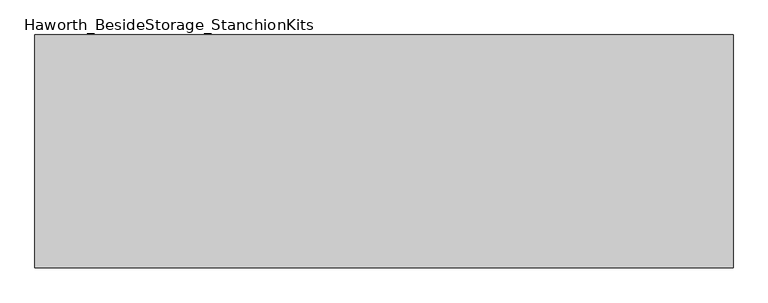
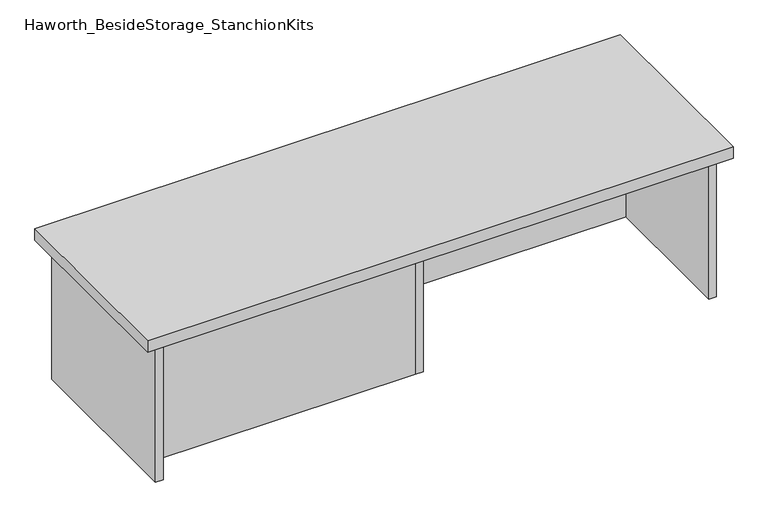
"""IFC4 building model written with IfcOpenShell, lengths in millimetres: furniture geometry, Haworth_BesideStorage_StanchionKits."""

from ifc_helpers import new_model, si_unit, frame, origin, place, context, project, spatial, polyline, outline, extrude, source, transform, mapped, element, save


def haworth_besidestorage_stanchionkits_2ecdc645(model_context):
    return source(origin(), model_context, "Body", "SweptSolid", [
        extrude(outline(polyline([(771.525, 0.0), (771.525, -406.4), (-447.675, -406.4), (-447.675, 0.0), (771.525, 0.0)])), frame((0.0, 0.0, 736.6), z_axis=(0.0, 0.0, 1.0), x_axis=(1.0, 0.0, 0.0)), (0.0, 0.0, 1.0), 25.4),
        extrude(outline(polyline([(169.8625, -76.2), (730.25, -76.2), (730.25, -92.075), (169.8625, -92.075), (169.8625, -76.2)])), frame((0.0, 0.0, 431.8), z_axis=(0.0, 0.0, 1.0), x_axis=(1.0, 0.0, 0.0)), (0.0, 0.0, 1.0), 304.8),
        extrude(outline(polyline([(153.9875, -314.325), (153.9875, -330.2), (-406.4, -330.2), (-406.4, -314.325), (153.9875, -314.325)])), frame((0.0, 0.0, 431.8), z_axis=(0.0, 0.0, 1.0), x_axis=(1.0, 0.0, 0.0)), (0.0, 0.0, 1.0), 304.8),
        extrude(outline(polyline([(169.8625, -330.2), (153.9875, -330.2), (153.9875, -76.2), (169.8625, -76.2), (169.8625, -330.2)])), frame((0.0, 0.0, 431.8), z_axis=(0.0, 0.0, 1.0), x_axis=(1.0, 0.0, 0.0)), (0.0, 0.0, 1.0), 304.8),
        extrude(outline(polyline([(746.125, -390.525), (730.25, -390.525), (730.25, -15.875), (746.125, -15.875), (746.125, -390.525)])), frame((0.0, 0.0, 431.8), z_axis=(0.0, 0.0, 1.0), x_axis=(1.0, 0.0, 0.0)), (0.0, 0.0, 1.0), 304.8),
        extrude(outline(polyline([(-406.4, -390.525), (-422.275, -390.525), (-422.275, -15.875), (-406.4, -15.875), (-406.4, -390.525)])), frame((0.0, 0.0, 431.8), z_axis=(0.0, 0.0, 1.0), x_axis=(1.0, 0.0, 0.0)), (0.0, 0.0, 1.0), 304.8),
    ])


if __name__ == "__main__":
    model = new_model("IFC4")
    model_context = context("Model", 3, world=origin())
    ifc_project = project(units=[si_unit("LENGTHUNIT", "METRE", prefix="MILLI")], contexts=[model_context])
    site = spatial("IfcSite", under=ifc_project)
    building = spatial("IfcBuilding", under=site)
    placement = place(None, origin())
    haworth_besidestorage_stanchionkits_shape = haworth_besidestorage_stanchionkits_2ecdc645(model_context)
    element("IfcFurniture", 1, ObjectType="Haworth_BesideStorage_StanchionKits", at=placement, inside=building, context=model_context, shape_type="MappedRepresentation", body=[
        mapped(haworth_besidestorage_stanchionkits_shape, transform((0.0, 0.0, 0.0), x_axis=(1.0, 0.0, 0.0), y_axis=(0.0, 1.0, 0.0), z_axis=(0.0, 0.0, 1.0))),
    ])
    save(model, "model.ifc")
